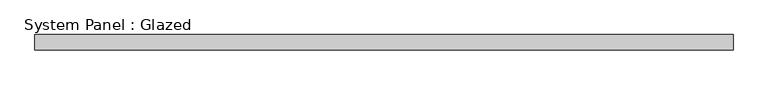
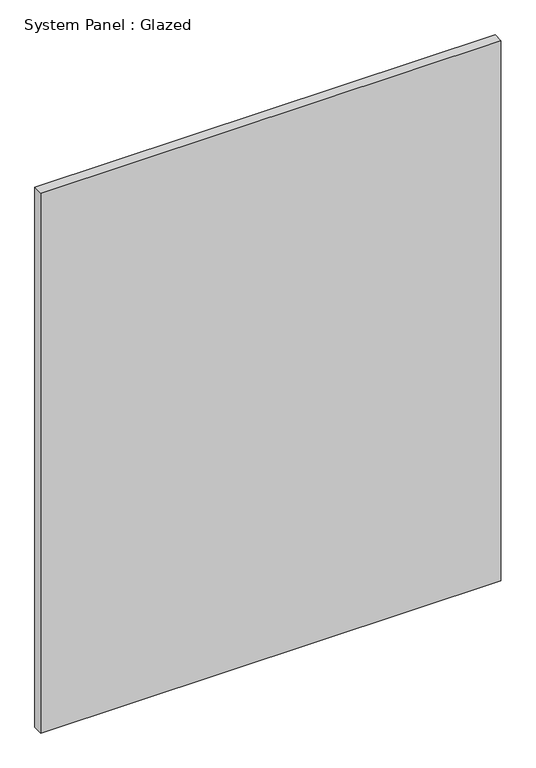
"""IFC4 building model written with IfcOpenShell, lengths in millimetres: plate geometry, System Panel : Glazed."""

from ifc_helpers import new_model, si_unit, origin, origin_with_axes, place, context, project, spatial, polyline, outline, extrude, source, transform, mapped, element, save


def system_panel_glazed_4a37adea(model_context):
    return source(origin(), model_context, "Body", "SweptSolid", [
        extrude(outline(polyline([(587.375, -55.7), (-587.375, -55.7), (-587.375, -30.3), (587.375, -30.3), (587.375, -55.7)])), origin_with_axes(), (0.0, 0.0, 1.0), 1457.325),
    ])


if __name__ == "__main__":
    model = new_model("IFC4")
    model_context = context("Model", 3, world=origin())
    ifc_project = project(units=[si_unit("LENGTHUNIT", "METRE", prefix="MILLI")], contexts=[model_context])
    site = spatial("IfcSite", under=ifc_project)
    building = spatial("IfcBuilding", under=site)
    placement = place(None, origin())
    system_panel_glazed_shape = system_panel_glazed_4a37adea(model_context)
    element("IfcPlate", 1, ObjectType="System Panel : Glazed", at=placement, inside=building, context=model_context, shape_type="MappedRepresentation", body=[
        mapped(system_panel_glazed_shape, transform((0.0, 0.0, 0.0), x_axis=(1.0, 0.0, 0.0), y_axis=(0.0, 1.0, 0.0), z_axis=(0.0, 0.0, 1.0))),
    ])
    save(model, "model.ifc")
